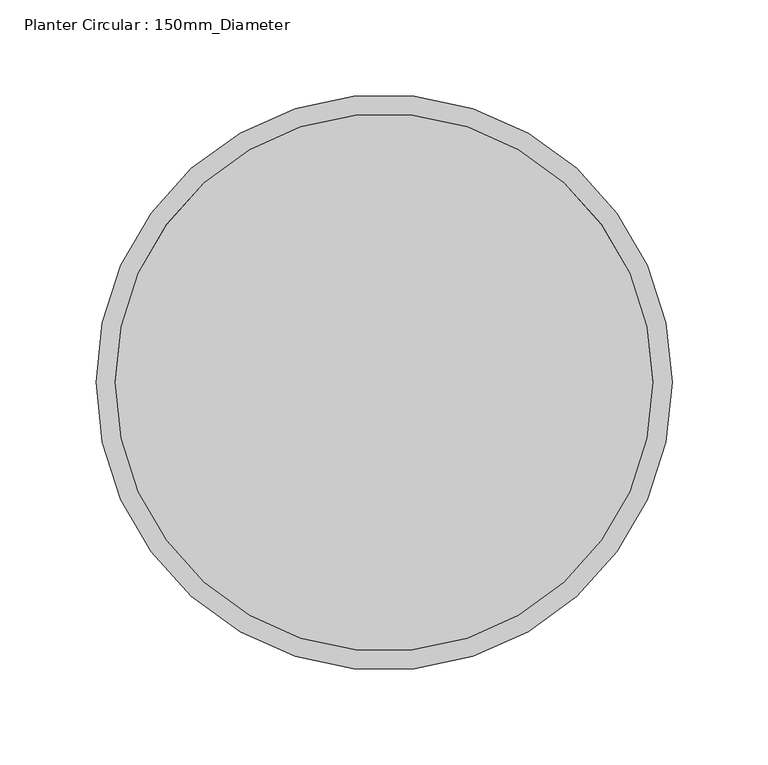
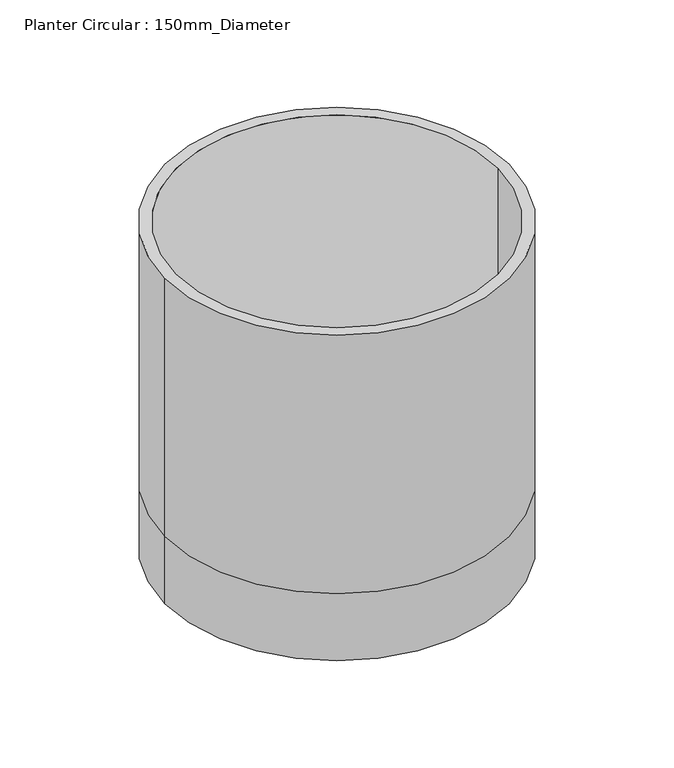
"""IFC4 building model written with IfcOpenShell, lengths in millimetres: geographic element geometry, Planter Circular : 150mm_Diameter."""

from ifc_helpers import new_model, si_unit, frame, origin, place, context, project, spatial, polyline, circle_curve, source, transform, mapped, element, save
from ifc_brep_helpers import plane_surface, cylinder_surface, revolved_surface, advanced_brep


def planter_circular_150mm_diameter_38ee24dc(model_context):
    return source(origin(), model_context, "Body", "AdvancedBrep", [
        advanced_brep(
        [(141.2, -75.0, 61.5433423), (-138.8, -75.0, 61.5433423), (-148.8, -75.0, 0.0), (151.2, -75.0, 0.0), (151.2, -75.0, 61.5433423), (-148.8, -75.0, 61.5433423), (-148.8, -75.0, 300.0), (151.2, -75.0, 300.0), (-138.8, -75.0, 300.0), (141.2, -75.0, 300.0)],
        [
            (0, 1, circle_curve(frame((1.2, -75.0, 61.5433423), z_axis=(0.0, 0.0, 1.0), x_axis=(1.0, 0.0, 0.0)), 140.0)),
            (1, 0, circle_curve(frame((1.2, -75.0, 61.5433423), z_axis=(0.0, 0.0, 1.0), x_axis=(1.0, 0.0, 0.0)), 140.0)),
            (2, 3, circle_curve(frame((1.2, -75.0, 0.0), z_axis=(0.0, 0.0, -1.0), x_axis=(1.0, 0.0, 0.0)), 150.0)),
            (3, 2, circle_curve(frame((1.2, -75.0, 0.0), z_axis=(0.0, 0.0, -1.0), x_axis=(1.0, 0.0, 0.0)), 150.0)),
            (3, 4),
            (4, 5, circle_curve(frame((1.2, -75.0, 61.5433423), z_axis=(0.0, 0.0, -1.0), x_axis=(1.0, 0.0, 0.0)), 150.0)),
            (5, 2),
            (5, 4, circle_curve(frame((1.2, -75.0, 61.5433423), z_axis=(0.0, 0.0, -1.0), x_axis=(1.0, 0.0, 0.0)), 150.0)),
            (6, 7, circle_curve(frame((1.2, -75.0, 300.0), z_axis=(0.0, 0.0, 1.0), x_axis=(1.0, 0.0, 0.0)), 150.0)),
            (7, 6, circle_curve(frame((1.2, -75.0, 300.0), z_axis=(0.0, 0.0, 1.0), x_axis=(1.0, 0.0, 0.0)), 150.0)),
            (8, 9, circle_curve(frame((1.2, -75.0, 300.0), z_axis=(0.0, 0.0, -1.0), x_axis=(1.0, 0.0, 0.0)), 140.0)),
            (9, 8, circle_curve(frame((1.2, -75.0, 300.0), z_axis=(0.0, 0.0, -1.0), x_axis=(1.0, 0.0, 0.0)), 140.0)),
            (6, 5),
            (4, 7),
            (8, 1),
            (0, 9),
        ],
        [
            plane_surface(frame((151.2, -75.0, 61.5433423), z_axis=(0.0, 0.0, 1.0), x_axis=(0.0, 1.0, 0.0))),
            plane_surface(frame((151.2, -75.0, 0.0), z_axis=(0.0, 0.0, -1.0), x_axis=(0.0, -1.0, 0.0))),
            cylinder_surface(frame((1.2, -75.0, 0.0), z_axis=(0.0, 0.0, 1.0), x_axis=(1.0, 0.0, 0.0)), 150.0),
            plane_surface(frame((151.2, -75.0, 300.0), z_axis=(0.0, 0.0, 1.0), x_axis=(0.0, 1.0, 0.0))),
            revolved_surface(polyline([(141.2, -75.0, 61.5433423), (141.2, -75.0, 300.0)]), (1.2, -75.0, 0.0), (0.0, 0.0, -1.0)),
        ],
        [
            (0, [[1, 2]]),
            (1, [[3, 4]]),
            (2, [[-4, 5, 6, 7]]),
            (2, [[-3, -7, 8, -5]]),
            (3, [[9, 10], [11, 12]]),
            (2, [[-9, 13, -6, 14]]),
            (2, [[-10, -14, -8, -13]]),
            (4, [[-11, 15, -1, 16]]),
            (4, [[-12, -16, -2, -15]]),
        ],
    ),
    ])


if __name__ == "__main__":
    model = new_model("IFC4")
    model_context = context("Model", 3, world=origin())
    ifc_project = project(units=[si_unit("LENGTHUNIT", "METRE", prefix="MILLI")], contexts=[model_context])
    site = spatial("IfcSite", under=ifc_project)
    building = spatial("IfcBuilding", under=site)
    placement = place(None, origin())
    planter_circular_150mm_diameter_shape = planter_circular_150mm_diameter_38ee24dc(model_context)
    element("IfcGeographicElement", 1, ObjectType="Planter Circular : 150mm_Diameter", at=placement, inside=building, context=model_context, shape_type="MappedRepresentation", body=[
        mapped(planter_circular_150mm_diameter_shape, transform((0.0, 0.0, 0.0), x_axis=(1.0, 0.0, 0.0), y_axis=(0.0, 1.0, 0.0), z_axis=(0.0, 0.0, 1.0))),
    ])
    save(model, "model.ifc")
